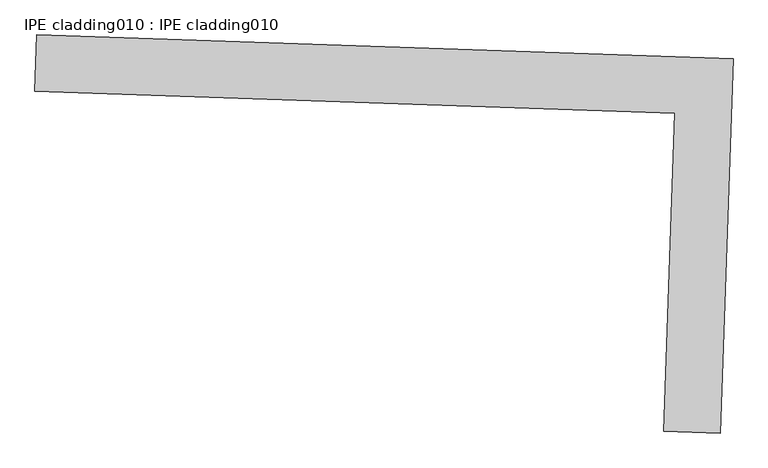
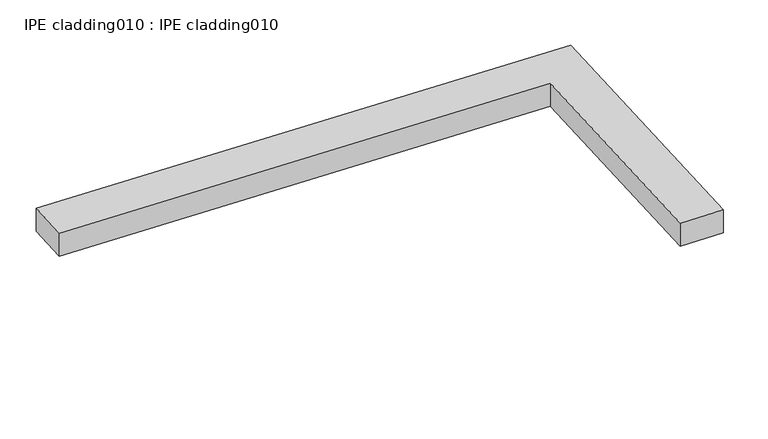
"""IFC4 building model written with IfcOpenShell, lengths in millimetres: proxy geometry, IPE cladding010 : IPE cladding010."""

import ifcopenshell
import ifcopenshell.guid

model = None  # the IFC model being written
_history = None  # IfcOwnerHistory: only IFC2X3 demands one
_inside = {}  # id of a spatial element -> (the spatial element, [elements in it])
_under = {}  # id of a project, library or spatial element -> (it, [spatial elements below it])
_declared = {}  # id of a project -> (the project, [libraries it declares])
_typed = {}  # id of a type object -> (the type object, [elements of that type])
_made_of = {}  # id of a material, layer set ... -> (it, [elements and type objects made of it])


def new_model(schema):
    """Start an empty IFC model of exactly this schema.

    Asked for "IFC4X3", IfcOpenShell would pick the latest addendum, in which some entities
    have other attributes; the version numbers below select the first issue.
    IFC2X3 requires an IfcOwnerHistory on every rooted entity: one is made here for all.
    """
    global model, _history
    if schema == "IFC4X3":
        model = ifcopenshell.file(schema_version=(4, 3, 0, 0))
    else:
        model = ifcopenshell.file(schema=schema)
    _inside.clear()
    _under.clear()
    _declared.clear()
    _typed.clear()
    _made_of.clear()
    _history = None
    if model.schema == "IFC2X3":
        org = make("IfcOrganization", Name="unknown")
        user = make(
            "IfcPersonAndOrganization",
            ThePerson=make("IfcPerson", FamilyName="unknown"),
            TheOrganization=org,
        )
        app = make(
            "IfcApplication",
            ApplicationDeveloper=org,
            Version="unknown",
            ApplicationFullName="unknown",
            ApplicationIdentifier="unknown",
        )
        _history = make(
            "IfcOwnerHistory",
            OwningUser=user,
            OwningApplication=app,
            ChangeAction="ADDED",
            CreationDate=0,
        )
    return model


def make(cls, **values):
    """One entity of the class cls with the attributes given. An attribute that is None is left unset."""
    return model.create_entity(
        cls, **{name: value for name, value in values.items() if value is not None}
    )


def rooted(cls, **values):
    """An entity with a GlobalId (a new one), such as an element, a storey or a relation."""
    return make(cls, GlobalId=ifcopenshell.guid.new(), OwnerHistory=_history, **values)


def si_unit(unit_type, name, prefix=None):
    """IfcSIUnit, for example si_unit("LENGTHUNIT", "METRE", prefix="MILLI")."""
    return make("IfcSIUnit", UnitType=unit_type, Prefix=prefix, Name=name)


def assignment(units):
    """IfcUnitAssignment: the units of a project."""
    return None if units is None else make("IfcUnitAssignment", Units=units)


def point(xyz):
    """IfcCartesianPoint."""
    return None if xyz is None else make("IfcCartesianPoint", Coordinates=xyz)


def direction(xyz):
    """IfcDirection."""
    return None if xyz is None else make("IfcDirection", DirectionRatios=xyz)


def frame(location, z_axis=None, x_axis=None):
    """IfcAxis2Placement3D, a coordinate frame: its origin and axes. An axis left out is left unset."""
    return make(
        "IfcAxis2Placement3D",
        Location=point(location),
        Axis=direction(z_axis),
        RefDirection=direction(x_axis),
    )


def origin():
    """The frame at (0, 0, 0) with its axes left unset."""
    return frame((0.0, 0.0, 0.0))


def place(relative_to, where):
    """IfcLocalPlacement: puts the frame where relative to a parent placement (None: the world)."""
    return make(
        "IfcLocalPlacement", PlacementRelTo=relative_to, RelativePlacement=where
    )


def context(
    kind, dimensions, precision=None, world=None, true_north=None, identifier=None
):
    """IfcGeometricRepresentationContext, for example the 3D "Model" context."""
    return make(
        "IfcGeometricRepresentationContext",
        ContextIdentifier=identifier,
        ContextType=kind,
        CoordinateSpaceDimension=dimensions,
        Precision=precision,
        WorldCoordinateSystem=world,
        TrueNorth=true_north,
    )


def project(units=None, contexts=None):
    """IfcProject with its units and contexts."""
    return rooted(
        "IfcProject",
        Name="project",
        RepresentationContexts=contexts,
        UnitsInContext=assignment(units),
    )


def spatial(cls, under=None, at=None, **own):
    """A site, building, storey or space (cls), placed at a placement, below another one or the project."""
    s = rooted(cls, ObjectPlacement=at, **own)
    if under is not None:
        _under.setdefault(under.id(), (under, []))[1].append(s)
    return s


def polyline(points):
    """IfcPolyline through the points."""
    return make("IfcPolyline", Points=[point(p) for p in points])


def outline(outer, holes=None, kind="AREA"):
    """IfcArbitraryClosedProfileDef: a profile drawn as a closed curve; with holes, ...WithVoids."""
    if holes is None:
        return make("IfcArbitraryClosedProfileDef", ProfileType=kind, OuterCurve=outer)
    return make(
        "IfcArbitraryProfileDefWithVoids",
        ProfileType=kind,
        OuterCurve=outer,
        InnerCurves=holes,
    )


def extrude(swept, where, along, depth):
    """IfcExtrudedAreaSolid: the profile swept, set in the frame where, extruded along a direction by depth."""
    return make(
        "IfcExtrudedAreaSolid",
        SweptArea=swept,
        Position=where,
        ExtrudedDirection=direction(along),
        Depth=depth,
    )


def shape(context_of_items, identifier, shape_type, items):
    """IfcShapeRepresentation: the items that make up one representation, for example the "Body"."""
    return make(
        "IfcShapeRepresentation",
        ContextOfItems=context_of_items,
        RepresentationIdentifier=identifier,
        RepresentationType=shape_type,
        Items=items,
    )


def source(mapping_origin, context_of_items, identifier, shape_type, items):
    """IfcRepresentationMap: a shape defined once, which mapped items show again and again."""
    return make(
        "IfcRepresentationMap",
        MappingOrigin=mapping_origin,
        MappedRepresentation=shape(context_of_items, identifier, shape_type, items),
    )


def transform(
    local_origin,
    x_axis=None,
    y_axis=None,
    z_axis=None,
    scale=None,
    scale2=None,
    scale3=None,
    uniform=True,
):
    """IfcCartesianTransformationOperator3D, or its non-uniform kind. x_axis, y_axis, z_axis: its Axis1, 2, 3."""
    if uniform:
        return make(
            "IfcCartesianTransformationOperator3D",
            Axis1=direction(x_axis),
            Axis2=direction(y_axis),
            LocalOrigin=point(local_origin),
            Scale=scale,
            Axis3=direction(z_axis),
        )
    return make(
        "IfcCartesianTransformationOperator3DnonUniform",
        Axis1=direction(x_axis),
        Axis2=direction(y_axis),
        LocalOrigin=point(local_origin),
        Scale=scale,
        Axis3=direction(z_axis),
        Scale2=scale2,
        Scale3=scale3,
    )


def mapped(mapping_source, mapping_target):
    """IfcMappedItem: shows the shape of a source again, moved by a transform."""
    return make(
        "IfcMappedItem", MappingSource=mapping_source, MappingTarget=mapping_target
    )


def made_of(thing, what):
    """Note that an element or type object is made of a material, layer set ...; save() writes the relation."""
    if what is not None:
        _made_of.setdefault(what.id(), (what, []))[1].append(thing)
    return thing


def element(
    cls,
    number,
    at=None,
    inside=None,
    cuts=None,
    type_object=None,
    material=None,
    context=None,
    identifier="Body",
    shape_type=None,
    held_by="IfcProductDefinitionShape",
    body=None,
    shapes=None,
    **own,
):
    """One element of the class cls, such as IfcWall. Its Tag is "e" and its number.

    at: its placement. inside: the storey or other place that contains it. cuts: it is an
    opening in that element (IfcRelVoidsElement). A single representation is given by context,
    identifier, shape_type and body (its items); several are given by shapes. held_by: the class
    of the entity that holds the representations. save() writes the other relations.
    """
    e = rooted(cls, Tag="e%d" % number, ObjectPlacement=at, **own)
    if body is not None:
        shapes = [shape(context, identifier, shape_type, body)]
    if shapes is not None:
        e.Representation = make(held_by, Representations=shapes)
    if inside is not None:
        _inside.setdefault(inside.id(), (inside, []))[1].append(e)
    if cuts is not None:
        rooted(
            "IfcRelVoidsElement", RelatingBuildingElement=cuts, RelatedOpeningElement=e
        )
    if type_object is not None:
        _typed.setdefault(type_object.id(), (type_object, []))[1].append(e)
    return made_of(e, material)


def aggregate(whole, parts):
    """IfcRelAggregates: a whole, such as a stair, and the parts it consists of."""
    return rooted("IfcRelAggregates", RelatingObject=whole, RelatedObjects=parts)


def save(model, path):
    """Write the relations noted so far, then the file.

    IfcRelAggregates (storeys below a building ...), IfcRelContainedInSpatialStructure (elements
    in a storey), IfcRelDefinesByType, IfcRelAssociatesMaterial and IfcRelDeclares: one each for
    every whole, place, type object, material and project.
    """
    for whole, parts in _under.values():
        aggregate(whole, parts)
    for where, things in _inside.values():
        rooted(
            "IfcRelContainedInSpatialStructure",
            RelatedElements=things,
            RelatingStructure=where,
        )
    for kind, things in _typed.values():
        rooted("IfcRelDefinesByType", RelatedObjects=things, RelatingType=kind)
    for what, things in _made_of.values():
        rooted("IfcRelAssociatesMaterial", RelatedObjects=things, RelatingMaterial=what)
    for by, libraries in _declared.values():
        rooted("IfcRelDeclares", RelatingContext=by, RelatedDefinitions=libraries)
    model.write(path)


def ipe_cladding010_ipe_cladding010_7cf876a6(model_context):
    return source(origin(), model_context, "Body", "SweptSolid", [
        extrude(outline(polyline([(17306.5036744, -14579.7358978), (17309.5442112, -14490.8879089), (18404.9713728, -14528.3753815), (18384.8189496, -15117.25242), (18295.9709605, -15114.2118834), (18313.0828473, -14614.1828335), (17306.5036744, -14579.7358978)])), frame((0.0, 0.0, 1343.975707), z_axis=(0.0, 0.0, 1.0), x_axis=(1.0, 0.0, 0.0)), (0.0, 0.0, 1.0), 50.8),
    ])


if __name__ == "__main__":
    model = new_model("IFC4")
    model_context = context("Model", 3, world=origin())
    ifc_project = project(units=[si_unit("LENGTHUNIT", "METRE", prefix="MILLI")], contexts=[model_context])
    site = spatial("IfcSite", under=ifc_project)
    building = spatial("IfcBuilding", under=site)
    placement = place(None, origin())
    ipe_cladding010_ipe_cladding010_shape = ipe_cladding010_ipe_cladding010_7cf876a6(model_context)
    element("IfcBuildingElementProxy", 1, Name="IPE cladding010 : IPE cladding010", ObjectType="IPE cladding010 : IPE cladding010", at=placement, inside=building, context=model_context, shape_type="MappedRepresentation", body=[
        mapped(ipe_cladding010_ipe_cladding010_shape, transform((0.0, 0.0, 0.0), x_axis=(1.0, 0.0, 0.0), y_axis=(0.0, 1.0, 0.0), z_axis=(0.0, 0.0, 1.0))),
    ])
    save(model, "model.ifc")
